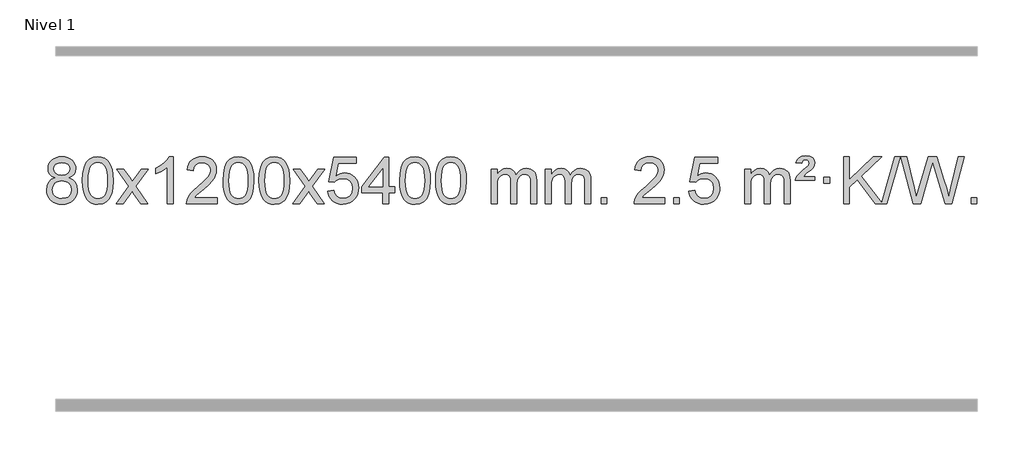
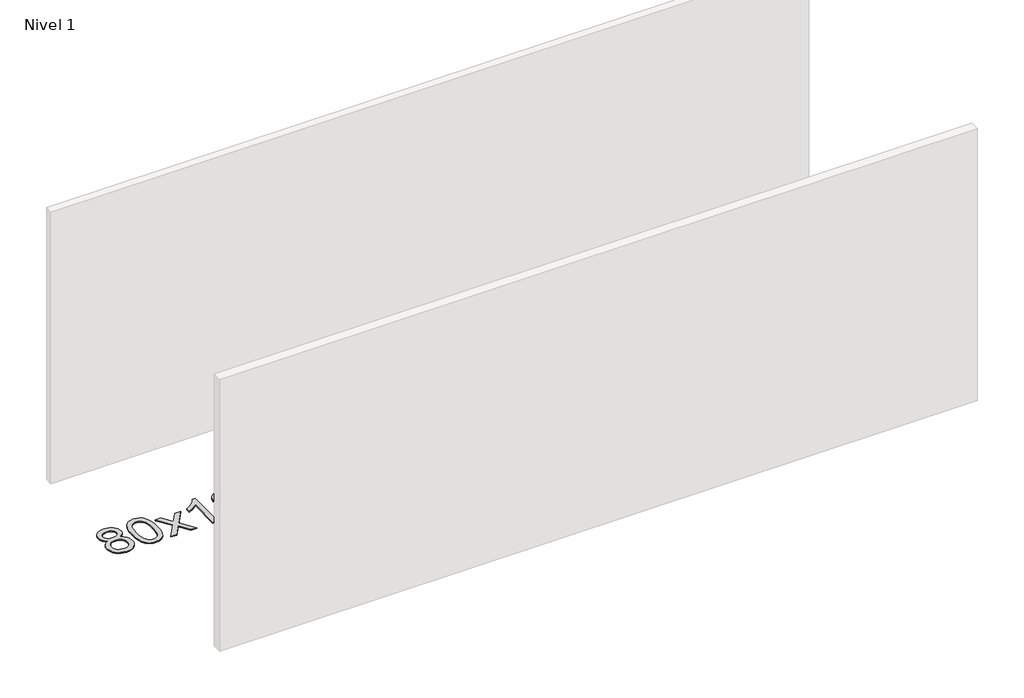
# One storey, part 15 of 18: 1 proxy.
"""IFC4 building model written with IfcOpenShell, lengths in millimetres."""

from ifc_helpers import new_model, si_unit, origin, origin_with_axes, place, context, project, spatial, polyline, outline, extrude, element, save

model = new_model("IFC4")

# Units and contexts
model_context = context("Model", 3, world=origin())
ifc_project = project(units=[si_unit("LENGTHUNIT", "METRE", prefix="MILLI")], contexts=[model_context])

# Site, building, storey
site = spatial("IfcSite", under=ifc_project)
building = spatial("IfcBuilding", under=site)
storey = spatial("IfcBuildingStorey", under=building, Name="Nivel 1", Elevation=0.0)

# Proxy
placement = place(None, origin())
element("IfcBuildingElementProxy", 1, Name="Texto de modelo 1", ObjectType="Texto de modelo 1", at=placement, inside=storey, context=model_context, shape_type="SweptSolid", body=[
    extrude(outline(polyline([(-236.8094438, -12224.2616447), (-263.7016177, -12211.0178929), (-282.573964, -12193.0652515), (-293.7207885, -12170.7716026), (-297.4363966, -12144.5048281), (-295.4130456, -12124.0199324), (-289.3429927, -12105.2395565), (-279.2262378, -12088.1637006), (-265.062781, -12072.7923645), (-247.533204, -12060.088173), (-227.3180883, -12051.0137504), (-204.4174341, -12045.5690969), (-178.8312414, -12043.7542124), (-153.1224213, -12045.6120165), (-130.0500888, -12051.1854287), (-109.614244, -12060.4744491), (-91.8148868, -12073.4790776), (-77.3939126, -12089.1508506), (-67.0932167, -12106.4413044), (-60.9127992, -12125.3504389), (-58.85266, -12145.8782543), (-62.5192172, -12171.2989001), (-73.5188889, -12193.2124043), (-91.9743023, -12211.0546811), (-118.0080848, -12224.2616447), (-87.0937345, -12240.1909351), (-64.5916191, -12263.6495436), (-50.8696207, -12293.5092989), (-46.2956212, -12328.6420295), (-48.5642269, -12353.6947933), (-55.3700438, -12376.6628926), (-66.713072, -12397.5463272), (-82.5933114, -12416.3450971), (-102.1768963, -12431.88198), (-124.6299607, -12442.9797536), (-149.9525047, -12449.6384177), (-178.1445283, -12451.8579724), (-206.3365519, -12449.6292206), (-231.6590959, -12442.9429654), (-254.1121603, -12431.7992066), (-273.6957452, -12416.1979443), (-289.5759846, -12397.26735), (-300.9190128, -12376.135595), (-307.7248297, -12352.8026795), (-309.9934354, -12327.2686033), (-305.2354949, -12290.7747094), (-290.9616735, -12260.7555386), (-267.9077351, -12238.2411605), (-236.8094438, -12224.2616447)]), holes=[polyline([(-247.2082415, -12145.9763561), (-242.7568694, -12167.902123), (-229.402753, -12185.413306), (-207.5382997, -12196.8912243), (-177.5559171, -12200.717197), (-148.2725103, -12196.9157497), (-126.7391508, -12185.5114079), (-113.495399, -12168.5888361), (-109.0808151, -12148.232699), (-113.6425518, -12127.1040098), (-127.327762, -12109.629615), (-149.1554271, -12097.8941794), (-178.1445283, -12093.9823675), (-207.3175705, -12097.8083402), (-229.1084474, -12109.2862585), (-242.683293, -12126.1107284), (-247.2082415, -12145.9763561)]), polyline([(-259.7652803, -12325.5027698), (-257.6683529, -12344.7184726), (-251.3775708, -12363.3210389), (-239.7647625, -12379.5446349), (-221.7017565, -12391.623427), (-200.0702952, -12399.1282197), (-177.7521208, -12401.6298173), (-143.5636208, -12396.3691048), (-129.6699441, -12389.7932141), (-117.909983, -12380.5869672), (-101.870328, -12356.6869002), (-96.5237763, -12327.0723996), (-102.0420062, -12296.9551269), (-118.596696, -12272.5277625), (-130.6754882, -12263.0854579), (-144.838945, -12256.3409547), (-179.4198526, -12250.9453521), (-213.130106, -12256.2673783), (-226.8674329, -12262.919911), (-238.5262264, -12272.2334569), (-254.4555168, -12296.1948375), (-259.7652803, -12325.5027698)])]), origin_with_axes(), (0.0, 0.0, 1.0), 10.0),
    extrude(outline(polyline([(-2.3459855, -12247.9041943), (1.3450971, -12183.5861588), (12.4183452, -12132.2911459), (30.763394, -12093.2343407), (42.621457, -12078.0009605), (56.269879, -12065.6309284), (71.7546453, -12056.0598651), (89.1217412, -12049.2233914), (129.5029215, -12043.7542124), (160.4540601, -12046.991574), (188.167837, -12056.7036586), (211.3444027, -12072.5103217), (228.6839074, -12094.0314184), (241.7805065, -12121.0830078), (252.2283551, -12153.4811488), (259.0709602, -12194.6226186), (261.3518286, -12247.9041943), (257.6975341, -12311.8543477), (246.7346507, -12363.0267333), (228.4999664, -12402.1203266), (216.6694946, -12417.3996922), (203.0302696, -12429.8341036), (187.5271092, -12439.4695462), (170.1048311, -12446.3520052), (129.5029215, -12451.8579724), (101.8381955, -12449.4667394), (77.3127291, -12442.2930405), (55.9265225, -12430.3368757), (37.6795755, -12413.5982449), (20.1683926, -12383.3399508), (7.6604047, -12345.6381776), (0.155612, -12300.4929255), (-2.3459855, -12247.9041943)]), holes=[polyline([(47.8821695, -12247.8060924), (49.3536975, -12291.4706195), (53.7682815, -12326.8148822), (61.1259214, -12353.8388804), (71.4266172, -12372.5426142), (83.8855541, -12385.2682656), (97.7179171, -12394.3580165), (112.9237063, -12399.8118671), (129.5029215, -12401.6298173), (146.0821368, -12399.8057357), (161.2879259, -12394.3334911), (175.1202889, -12385.2130833), (187.5792258, -12372.4445124), (197.8799217, -12353.7101217), (205.2375616, -12326.6922549), (209.6521455, -12291.3909118), (211.1236735, -12247.8060924), (209.7011965, -12205.2973278), (205.4337653, -12170.5753989), (198.3213801, -12143.6403055), (188.3640408, -12124.4920476), (176.1135703, -12111.1440625), (162.1217918, -12101.6097875), (146.3887051, -12095.8892225), (128.9143103, -12093.9823675), (112.4209342, -12095.6623619), (97.4726625, -12100.7023452), (84.0694951, -12109.1023175), (72.2114321, -12120.8622786), (61.5673797, -12141.708925), (53.9644852, -12169.8151094), (49.4027484, -12205.1808319), (47.8821695, -12247.8060924)])]), origin_with_axes(), (0.0, 0.0, 1.0), 10.0),
    extrude(outline(polyline([(286.4659061, -12445.579453), (393.7893469, -12297.2494325), (292.7444255, -12150.4890419), (353.1751746, -12150.4890419), (401.9318017, -12221.122385), (424.6914345, -12254.4770192), (444.4099094, -12227.2047007), (499.9355652, -12150.4890419), (560.3663143, -12150.4890419), (454.2200959, -12297.2494325), (556.4422397, -12445.579453), (496.0114906, -12445.579453), (434.501621, -12356.4048574), (423.2199065, -12340.1199477), (346.8966552, -12445.579453), (286.4659061, -12445.579453)])), origin_with_axes(), (0.0, 0.0, 1.0), 10.0),
    extrude(outline(polyline([(776.1904181, -12445.579453), (725.962263, -12445.579453), (725.962263, -12132.4382987), (704.9929893, -12149.3976587), (678.3828583, -12166.3324932), (625.5059529, -12191.6918254), (625.5059529, -12144.2105225), (664.9551655, -12122.7507395), (699.1314029, -12097.219729), (726.0726276, -12070.0700378), (743.8168025, -12043.7542124), (776.1904181, -12043.7542124), (776.1904181, -12445.579453)])), origin_with_axes(), (0.0, 0.0, 1.0), 10.0),
    extrude(outline(polyline([(1152.9015812, -12395.3512979), (1152.9015812, -12445.579453), (889.203767, -12445.579453), (890.307413, -12427.8965918), (894.5993696, -12410.9494945), (906.9847301, -12383.8856424), (925.1090498, -12357.6311307), (951.3267733, -12330.1503456), (987.9923455, -12299.4076736), (1042.1936261, -12251.2641831), (1074.7143945, -12215.7267824), (1090.9747787, -12186.884834), (1096.3949067, -12158.8277005), (1091.281347, -12133.6768347), (1075.9406678, -12112.7688747), (1052.3594319, -12098.6789943), (1022.5242021, -12093.9823675), (991.1929188, -12098.5686297), (966.8513935, -12112.3274163), (951.1428323, -12134.1796068), (945.7104415, -12163.0460807), (895.4822864, -12156.7675613), (899.8018342, -12130.838012), (907.6591805, -12108.1826125), (919.0543253, -12088.8013627), (933.9872686, -12072.6942627), (952.1146539, -12060.0329907), (973.0931247, -12050.989225), (996.9226809, -12045.5629655), (1023.6033226, -12043.7542124), (1050.5230876, -12045.7653006), (1074.4814025, -12051.7985654), (1095.4782674, -12061.8540066), (1113.5136822, -12075.9316242), (1127.9990358, -12092.9890861), (1138.3457169, -12111.9840598), (1144.5537256, -12132.9165453), (1146.6230618, -12155.7865427), (1144.3912444, -12179.8092369), (1137.695792, -12203.4149983), (1125.8132036, -12227.4254299), (1108.0199778, -12252.6621347), (1079.6562759, -12282.7916701), (1036.0622595, -12321.4805933), (978.2802608, -12369.795762), (955.6187299, -12395.3512979), (1152.9015812, -12395.3512979)])), origin_with_axes(), (0.0, 0.0, 1.0), 10.0),
    extrude(outline(polyline([(1203.1297362, -12247.9041943), (1206.8208189, -12183.5861588), (1217.894067, -12132.2911459), (1236.2391158, -12093.2343407), (1248.0971788, -12078.0009605), (1261.7456008, -12065.6309284), (1277.2303671, -12056.0598651), (1294.597463, -12049.2233914), (1334.9786433, -12043.7542124), (1365.9297818, -12046.991574), (1393.6435588, -12056.7036586), (1416.8201245, -12072.5103217), (1434.1596292, -12094.0314184), (1447.2562282, -12121.0830078), (1457.7040769, -12153.4811488), (1464.546682, -12194.6226186), (1466.8275504, -12247.9041943), (1463.1732559, -12311.8543477), (1452.2103725, -12363.0267333), (1433.9756882, -12402.1203266), (1422.1452164, -12417.3996922), (1408.5059914, -12429.8341036), (1393.002831, -12439.4695462), (1375.5805529, -12446.3520052), (1334.9786433, -12451.8579724), (1307.3139173, -12449.4667394), (1282.7884509, -12442.2930405), (1261.4022443, -12430.3368757), (1243.1552973, -12413.5982449), (1225.6441144, -12383.3399508), (1213.1361265, -12345.6381776), (1205.6313338, -12300.4929255), (1203.1297362, -12247.9041943)]), holes=[polyline([(1253.3578913, -12247.8060924), (1254.8294193, -12291.4706195), (1259.2440032, -12326.8148822), (1266.6016432, -12353.8388804), (1276.902339, -12372.5426142), (1289.3612759, -12385.2682656), (1303.1936389, -12394.3580165), (1318.3994281, -12399.8118671), (1334.9786433, -12401.6298173), (1351.5578586, -12399.8057357), (1366.7636477, -12394.3334911), (1380.5960107, -12385.2130833), (1393.0549476, -12372.4445124), (1403.3556435, -12353.7101217), (1410.7132834, -12326.6922549), (1415.1278673, -12291.3909118), (1416.5993953, -12247.8060924), (1415.1769183, -12205.2973278), (1410.9094871, -12170.5753989), (1403.7971019, -12143.6403055), (1393.8397625, -12124.4920476), (1381.5892921, -12111.1440625), (1367.5975136, -12101.6097875), (1351.8644269, -12095.8892225), (1334.3900321, -12093.9823675), (1317.896656, -12095.6623619), (1302.9483843, -12100.7023452), (1289.5452169, -12109.1023175), (1277.6871539, -12120.8622786), (1267.0431015, -12141.708925), (1259.440207, -12169.8151094), (1254.8784702, -12205.1808319), (1253.3578913, -12247.8060924)])]), origin_with_axes(), (0.0, 0.0, 1.0), 10.0),
    extrude(outline(polyline([(1510.7771861, -12247.9041943), (1514.4682688, -12183.5861588), (1525.5415168, -12132.2911459), (1543.8865656, -12093.2343407), (1555.7446286, -12078.0009605), (1569.3930506, -12065.6309284), (1584.877817, -12056.0598651), (1602.2449128, -12049.2233914), (1642.6260932, -12043.7542124), (1673.5772317, -12046.991574), (1701.2910087, -12056.7036586), (1724.4675743, -12072.5103217), (1741.8070791, -12094.0314184), (1754.9036781, -12121.0830078), (1765.3515267, -12153.4811488), (1772.1941319, -12194.6226186), (1774.4750002, -12247.9041943), (1770.8207057, -12311.8543477), (1759.8578223, -12363.0267333), (1741.6231381, -12402.1203266), (1729.7926662, -12417.3996922), (1716.1534413, -12429.8341036), (1700.6502808, -12439.4695462), (1683.2280027, -12446.3520052), (1642.6260932, -12451.8579724), (1614.9613671, -12449.4667394), (1590.4359008, -12442.2930405), (1569.0496941, -12430.3368757), (1550.8027472, -12413.5982449), (1533.2915642, -12383.3399508), (1520.7835764, -12345.6381776), (1513.2787836, -12300.4929255), (1510.7771861, -12247.9041943)]), holes=[polyline([(1561.0053412, -12247.8060924), (1562.4768691, -12291.4706195), (1566.8914531, -12326.8148822), (1574.249093, -12353.8388804), (1584.5497888, -12372.5426142), (1597.0087258, -12385.2682656), (1610.8410888, -12394.3580165), (1626.0468779, -12399.8118671), (1642.6260932, -12401.6298173), (1659.2053084, -12399.8057357), (1674.4110975, -12394.3334911), (1688.2434606, -12385.2130833), (1700.7023975, -12372.4445124), (1711.0030933, -12353.7101217), (1718.3607332, -12326.6922549), (1722.7753172, -12291.3909118), (1724.2468452, -12247.8060924), (1722.8243681, -12205.2973278), (1718.556937, -12170.5753989), (1711.4445517, -12143.6403055), (1701.4872124, -12124.4920476), (1689.2367419, -12111.1440625), (1675.2449634, -12101.6097875), (1659.5118767, -12095.8892225), (1642.037482, -12093.9823675), (1625.5441058, -12095.6623619), (1610.5958341, -12100.7023452), (1597.1926667, -12109.1023175), (1585.3346038, -12120.8622786), (1574.6905514, -12141.708925), (1567.0876568, -12169.8151094), (1562.5259201, -12205.1808319), (1561.0053412, -12247.8060924)])]), origin_with_axes(), (0.0, 0.0, 1.0), 10.0),
    extrude(outline(polyline([(1799.5890778, -12445.579453), (1906.9125185, -12297.2494325), (1805.8675971, -12150.4890419), (1866.2983462, -12150.4890419), (1915.0549733, -12221.122385), (1937.8146061, -12254.4770192), (1957.533081, -12227.2047007), (2013.0587368, -12150.4890419), (2073.4894859, -12150.4890419), (1967.3432676, -12297.2494325), (2069.5654113, -12445.579453), (2009.1346622, -12445.579453), (1947.6247926, -12356.4048574), (1936.3430781, -12340.1199477), (1860.0198268, -12445.579453), (1799.5890778, -12445.579453)])), origin_with_axes(), (0.0, 0.0, 1.0), 10.0),
    extrude(outline(polyline([(2100.9580082, -12338.8446235), (2151.1861633, -12332.5661041), (2160.4077386, -12362.7201649), (2176.4964446, -12384.3148381), (2199.3787047, -12397.3010725), (2228.9809425, -12401.6298173), (2248.1108063, -12400.1245668), (2264.9843271, -12395.6088153), (2279.6015051, -12388.0825628), (2291.9623401, -12377.5458094), (2301.7909207, -12364.519721), (2308.8113355, -12349.5254641), (2314.4276673, -12313.6324441), (2309.1669547, -12279.8363514), (2302.5910641, -12265.9181493), (2293.3848172, -12253.9865099), (2281.5175571, -12244.4154467), (2266.9586272, -12237.5789729), (2229.7657575, -12232.1097939), (2205.3997066, -12234.2925604), (2185.668969, -12240.8408599), (2169.9113568, -12250.8717757), (2157.4646827, -12263.5023908), (2107.2365276, -12257.2238715), (2151.1861633, -12050.0327318), (2345.8202642, -12050.0327318), (2345.8202642, -12100.2608869), (2191.8003356, -12100.2608869), (2170.316027, -12210.919791), (2188.0418078, -12198.2155994), (2206.1967843, -12189.1411769), (2224.7809564, -12183.6965234), (2243.7943242, -12181.8816388), (2268.2554112, -12184.1318504), (2290.7238041, -12190.882485), (2311.1995028, -12202.1335427), (2329.6825073, -12217.8850234), (2344.9833327, -12237.1743027), (2355.9124936, -12259.038756), (2362.4699902, -12283.4783832), (2364.6558224, -12310.4931844), (2362.6876537, -12336.5147042), (2356.7831477, -12360.7213394), (2346.9423043, -12383.1130902), (2333.1651236, -12403.6899565), (2312.2939517, -12424.7634634), (2287.9401636, -12439.8159684), (2260.1037593, -12448.8474714), (2228.7847388, -12451.8579724), (2202.8643866, -12449.9235262), (2179.4517632, -12444.1201877), (2158.5468689, -12434.447957), (2140.1497034, -12420.9068338), (2124.8427467, -12404.1712688), (2113.2084787, -12384.915712), (2105.2468991, -12363.1401636), (2100.9580082, -12338.8446235)])), origin_with_axes(), (0.0, 0.0, 1.0), 10.0),
    extrude(outline(polyline([(2571.846962, -12445.579453), (2571.846962, -12351.4016622), (2389.7698999, -12351.4016622), (2389.7698999, -12301.1735072), (2584.4040008, -12050.0327318), (2622.0751171, -12050.0327318), (2622.0751171, -12301.1735072), (2672.3032722, -12301.1735072), (2672.3032722, -12351.4016622), (2622.0751171, -12351.4016622), (2622.0751171, -12445.579453), (2571.846962, -12445.579453)]), holes=[polyline([(2571.846962, -12301.1735072), (2571.846962, -12145.9763561), (2451.5740751, -12301.1735072), (2571.846962, -12301.1735072)])]), origin_with_axes(), (0.0, 0.0, 1.0), 10.0),
    extrude(outline(polyline([(2716.2529079, -12247.9041943), (2719.9439906, -12183.5861588), (2731.0172386, -12132.2911459), (2749.3622874, -12093.2343407), (2761.2203504, -12078.0009605), (2774.8687724, -12065.6309284), (2790.3535388, -12056.0598651), (2807.7206346, -12049.2233914), (2848.1018149, -12043.7542124), (2879.0529535, -12046.991574), (2906.7667304, -12056.7036586), (2929.9432961, -12072.5103217), (2947.2828008, -12094.0314184), (2960.3793999, -12121.0830078), (2970.8272485, -12153.4811488), (2977.6698537, -12194.6226186), (2979.950722, -12247.9041943), (2976.2964275, -12311.8543477), (2965.3335441, -12363.0267333), (2947.0988599, -12402.1203266), (2935.268388, -12417.3996922), (2921.6291631, -12429.8341036), (2906.1260026, -12439.4695462), (2888.7037245, -12446.3520052), (2848.1018149, -12451.8579724), (2820.4370889, -12449.4667394), (2795.9116226, -12442.2930405), (2774.5254159, -12430.3368757), (2756.278469, -12413.5982449), (2738.767286, -12383.3399508), (2726.2592981, -12345.6381776), (2718.7545054, -12300.4929255), (2716.2529079, -12247.9041943)]), holes=[polyline([(2766.481063, -12247.8060924), (2767.9525909, -12291.4706195), (2772.3671749, -12326.8148822), (2779.7248148, -12353.8388804), (2790.0255106, -12372.5426142), (2802.4844475, -12385.2682656), (2816.3168106, -12394.3580165), (2831.5225997, -12399.8118671), (2848.1018149, -12401.6298173), (2864.6810302, -12399.8057357), (2879.8868193, -12394.3334911), (2893.7191824, -12385.2130833), (2906.1781193, -12372.4445124), (2916.4788151, -12353.7101217), (2923.836455, -12326.6922549), (2928.251039, -12291.3909118), (2929.7225669, -12247.8060924), (2928.3000899, -12205.2973278), (2924.0326588, -12170.5753989), (2916.9202735, -12143.6403055), (2906.9629342, -12124.4920476), (2894.7124637, -12111.1440625), (2880.7206852, -12101.6097875), (2864.9875985, -12095.8892225), (2847.5132038, -12093.9823675), (2831.0198276, -12095.6623619), (2816.0715559, -12100.7023452), (2802.6683885, -12109.1023175), (2790.8103256, -12120.8622786), (2780.1662732, -12141.708925), (2772.5633786, -12169.8151094), (2768.0016419, -12205.1808319), (2766.481063, -12247.8060924)])]), origin_with_axes(), (0.0, 0.0, 1.0), 10.0),
    extrude(outline(polyline([(3023.9003577, -12247.9041943), (3027.5914404, -12183.5861588), (3038.6646885, -12132.2911459), (3057.0097373, -12093.2343407), (3068.8678003, -12078.0009605), (3082.5162223, -12065.6309284), (3098.0009886, -12056.0598651), (3115.3680844, -12049.2233914), (3155.7492648, -12043.7542124), (3186.7004033, -12046.991574), (3214.4141803, -12056.7036586), (3237.590746, -12072.5103217), (3254.9302507, -12094.0314184), (3268.0268497, -12121.0830078), (3278.4746984, -12153.4811488), (3285.3173035, -12194.6226186), (3287.5981719, -12247.9041943), (3283.9438774, -12311.8543477), (3272.9809939, -12363.0267333), (3254.7463097, -12402.1203266), (3242.9158379, -12417.3996922), (3229.2766129, -12429.8341036), (3213.7734525, -12439.4695462), (3196.3511743, -12446.3520052), (3155.7492648, -12451.8579724), (3128.0845387, -12449.4667394), (3103.5590724, -12442.2930405), (3082.1728657, -12430.3368757), (3063.9259188, -12413.5982449), (3046.4147358, -12383.3399508), (3033.906748, -12345.6381776), (3026.4019553, -12300.4929255), (3023.9003577, -12247.9041943)]), holes=[polyline([(3074.1285128, -12247.8060924), (3075.6000408, -12291.4706195), (3080.0146247, -12326.8148822), (3087.3722646, -12353.8388804), (3097.6729605, -12372.5426142), (3110.1318974, -12385.2682656), (3123.9642604, -12394.3580165), (3139.1700495, -12399.8118671), (3155.7492648, -12401.6298173), (3172.32848, -12399.8057357), (3187.5342692, -12394.3334911), (3201.3666322, -12385.2130833), (3213.8255691, -12372.4445124), (3224.126265, -12353.7101217), (3231.4839049, -12326.6922549), (3235.8984888, -12291.3909118), (3237.3700168, -12247.8060924), (3235.9475397, -12205.2973278), (3231.6801086, -12170.5753989), (3224.5677233, -12143.6403055), (3214.610384, -12124.4920476), (3202.3599136, -12111.1440625), (3188.368135, -12101.6097875), (3172.6350484, -12095.8892225), (3155.1606536, -12093.9823675), (3138.6672775, -12095.6623619), (3123.7190057, -12100.7023452), (3110.3158384, -12109.1023175), (3098.4577754, -12120.8622786), (3087.813723, -12141.708925), (3080.2108284, -12169.8151094), (3075.6490917, -12205.1808319), (3074.1285128, -12247.8060924)])]), origin_with_axes(), (0.0, 0.0, 1.0), 10.0),
    extrude(outline(polyline([(3501.0678309, -12445.579453), (3501.0678309, -12150.4890419), (3551.295986, -12150.4890419), (3551.295986, -12199.0494653), (3566.4036733, -12176.7435537), (3585.8278426, -12159.2691589), (3608.9063064, -12147.9751816), (3634.9768772, -12144.2105225), (3662.9113833, -12148.048758), (3685.3031341, -12159.5634645), (3702.0295022, -12177.9943524), (3712.9678601, -12202.5811324), (3731.2761208, -12177.0439906), (3752.1595554, -12158.803175), (3775.6181639, -12147.8586857), (3801.6519464, -12144.2105225), (3821.7597632, -12145.7280358), (3839.4089019, -12150.2805755), (3854.5993626, -12157.8681416), (3867.3311453, -12168.4907342), (3877.3957836, -12182.2709806), (3884.5848109, -12199.3315082), (3888.8982273, -12219.6723168), (3890.3360328, -12243.2934066), (3890.3360328, -12445.579453), (3840.1078777, -12445.579453), (3840.1078777, -12264.875817), (3838.942918, -12239.8230531), (3835.4480391, -12222.9372695), (3828.8997396, -12211.3735121), (3818.5745182, -12202.2868268), (3805.2939782, -12196.4007149), (3789.8797226, -12194.4386776), (3762.6687177, -12199.4663982), (3740.4854334, -12214.54956), (3731.8800604, -12226.1194488), (3725.7333654, -12240.7182326), (3720.8160094, -12279.0024856), (3720.8160094, -12445.579453), (3670.5878543, -12445.579453), (3670.5878543, -12259.2840106), (3667.6815865, -12230.8835206), (3658.9627833, -12210.6254854), (3643.6221041, -12198.4853796), (3620.8502086, -12194.4386776), (3601.4996156, -12197.1364789), (3583.6696016, -12205.2298828), (3568.9543218, -12218.5226856), (3558.9479315, -12236.8186835), (3553.2089724, -12262.2025411), (3551.295986, -12296.7589232), (3551.295986, -12445.579453), (3501.0678309, -12445.579453)])), origin_with_axes(), (0.0, 0.0, 1.0), 10.0),
    extrude(outline(polyline([(3965.6782654, -12445.579453), (3965.6782654, -12150.4890419), (4015.9064204, -12150.4890419), (4015.9064204, -12199.0494653), (4031.0141077, -12176.7435537), (4050.4382771, -12159.2691589), (4073.5167409, -12147.9751816), (4099.5873116, -12144.2105225), (4127.5218178, -12148.048758), (4149.9135685, -12159.5634645), (4166.6399366, -12177.9943524), (4177.5782946, -12202.5811324), (4195.8865552, -12177.0439906), (4216.7699898, -12158.803175), (4240.2285984, -12147.8586857), (4266.2623809, -12144.2105225), (4286.3701976, -12145.7280358), (4304.0193363, -12150.2805755), (4319.209797, -12157.8681416), (4331.9415798, -12168.4907342), (4342.006218, -12182.2709806), (4349.1952453, -12199.3315082), (4353.5086617, -12219.6723168), (4354.9464672, -12243.2934066), (4354.9464672, -12445.579453), (4304.7183121, -12445.579453), (4304.7183121, -12264.875817), (4303.5533525, -12239.8230531), (4300.0584735, -12222.9372695), (4293.510174, -12211.3735121), (4283.1849527, -12202.2868268), (4269.9044126, -12196.4007149), (4254.490157, -12194.4386776), (4227.2791521, -12199.4663982), (4205.0958678, -12214.54956), (4196.4904948, -12226.1194488), (4190.3437998, -12240.7182326), (4185.4264438, -12279.0024856), (4185.4264438, -12445.579453), (4135.1982887, -12445.579453), (4135.1982887, -12259.2840106), (4132.292021, -12230.8835206), (4123.5732177, -12210.6254854), (4108.2325385, -12198.4853796), (4085.460643, -12194.4386776), (4066.11005, -12197.1364789), (4048.280036, -12205.2298828), (4033.5647562, -12218.5226856), (4023.5583659, -12236.8186835), (4017.8194068, -12262.2025411), (4015.9064204, -12296.7589232), (4015.9064204, -12445.579453), (3965.6782654, -12445.579453)])), origin_with_axes(), (0.0, 0.0, 1.0), 10.0),
    extrude(outline(polyline([(4442.8457386, -12445.579453), (4442.8457386, -12395.3512979), (4493.0738936, -12395.3512979), (4493.0738936, -12445.579453), (4442.8457386, -12445.579453)])), origin_with_axes(), (0.0, 0.0, 1.0), 10.0),
    extrude(outline(polyline([(4989.076925, -12395.3512979), (4989.076925, -12445.579453), (4725.3791109, -12445.579453), (4726.4827569, -12427.8965918), (4730.7747135, -12410.9494945), (4743.160074, -12383.8856424), (4761.2843936, -12357.6311307), (4787.5021171, -12330.1503456), (4824.1676893, -12299.4076736), (4878.3689699, -12251.2641831), (4910.8897383, -12215.7267824), (4927.1501225, -12186.884834), (4932.5702506, -12158.8277005), (4927.4566908, -12133.6768347), (4912.1160116, -12112.7688747), (4888.5347757, -12098.6789943), (4858.6995459, -12093.9823675), (4827.3682627, -12098.5686297), (4803.0267373, -12112.3274163), (4787.3181761, -12134.1796068), (4781.8857853, -12163.0460807), (4731.6576303, -12156.7675613), (4735.977178, -12130.838012), (4743.8345243, -12108.1826125), (4755.2296691, -12088.8013627), (4770.1626124, -12072.6942627), (4788.2899977, -12060.0329907), (4809.2684685, -12050.989225), (4833.0980247, -12045.5629655), (4859.7786664, -12043.7542124), (4886.6984314, -12045.7653006), (4910.6567464, -12051.7985654), (4931.6536112, -12061.8540066), (4949.6890261, -12075.9316242), (4964.1743796, -12092.9890861), (4974.5210607, -12111.9840598), (4980.7290694, -12132.9165453), (4982.7984056, -12155.7865427), (4980.5665882, -12179.8092369), (4973.8711359, -12203.4149983), (4961.9885474, -12227.4254299), (4944.1953216, -12252.6621347), (4915.8316198, -12282.7916701), (4872.2376033, -12321.4805933), (4814.4556046, -12369.795762), (4791.7940737, -12395.3512979), (4989.076925, -12395.3512979)])), origin_with_axes(), (0.0, 0.0, 1.0), 10.0),
    extrude(outline(polyline([(5064.4191576, -12445.579453), (5064.4191576, -12395.3512979), (5114.6473127, -12395.3512979), (5114.6473127, -12445.579453), (5064.4191576, -12445.579453)])), origin_with_axes(), (0.0, 0.0, 1.0), 10.0),
    extrude(outline(polyline([(5196.2680647, -12338.8446235), (5246.4962198, -12332.5661041), (5255.7177951, -12362.7201649), (5271.806501, -12384.3148381), (5294.6887611, -12397.3010725), (5324.290999, -12401.6298173), (5343.4208628, -12400.1245668), (5360.2943836, -12395.6088153), (5374.9115616, -12388.0825628), (5387.2723966, -12377.5458094), (5397.1009772, -12364.519721), (5404.121392, -12349.5254641), (5409.7377238, -12313.6324441), (5404.4770112, -12279.8363514), (5397.9011206, -12265.9181493), (5388.6948736, -12253.9865099), (5376.8276136, -12244.4154467), (5362.2686837, -12237.5789729), (5325.0758139, -12232.1097939), (5300.7097631, -12234.2925604), (5280.9790255, -12240.8408599), (5265.2214133, -12250.8717757), (5252.7747392, -12263.5023908), (5202.5465841, -12257.2238715), (5246.4962198, -12050.0327318), (5441.1303207, -12050.0327318), (5441.1303207, -12100.2608869), (5287.110392, -12100.2608869), (5265.6260835, -12210.919791), (5283.3518643, -12198.2155994), (5301.5068408, -12189.1411769), (5320.0910129, -12183.6965234), (5339.1043807, -12181.8816388), (5363.5654677, -12184.1318504), (5386.0338605, -12190.882485), (5406.5095593, -12202.1335427), (5424.9925638, -12217.8850234), (5440.2933891, -12237.1743027), (5451.2225501, -12259.038756), (5457.7800467, -12283.4783832), (5459.9658788, -12310.4931844), (5457.9977102, -12336.5147042), (5452.0932041, -12360.7213394), (5442.2523608, -12383.1130902), (5428.4751801, -12403.6899565), (5407.6040082, -12424.7634634), (5383.2502201, -12439.8159684), (5355.4138158, -12448.8474714), (5324.0947953, -12451.8579724), (5298.174443, -12449.9235262), (5274.7618197, -12444.1201877), (5253.8569254, -12434.447957), (5235.4597599, -12420.9068338), (5220.1528032, -12404.1712688), (5208.5185351, -12384.915712), (5200.5569556, -12363.1401636), (5196.2680647, -12338.8446235)])), origin_with_axes(), (0.0, 0.0, 1.0), 10.0),
    extrude(outline(polyline([(5673.4355379, -12445.579453), (5673.4355379, -12150.4890419), (5723.663693, -12150.4890419), (5723.663693, -12199.0494653), (5738.7713803, -12176.7435537), (5758.1955496, -12159.2691589), (5781.2740134, -12147.9751816), (5807.3445842, -12144.2105225), (5835.2790903, -12148.048758), (5857.6708411, -12159.5634645), (5874.3972091, -12177.9943524), (5885.3355671, -12202.5811324), (5903.6438278, -12177.0439906), (5924.5272623, -12158.803175), (5947.9858709, -12147.8586857), (5974.0196534, -12144.2105225), (5994.1274702, -12145.7280358), (6011.7766089, -12150.2805755), (6026.9670696, -12157.8681416), (6039.6988523, -12168.4907342), (6049.7634906, -12182.2709806), (6056.9525179, -12199.3315082), (6061.2659343, -12219.6723168), (6062.7037397, -12243.2934066), (6062.7037397, -12445.579453), (6012.4755847, -12445.579453), (6012.4755847, -12264.875817), (6011.310625, -12239.8230531), (6007.8157461, -12222.9372695), (6001.2674465, -12211.3735121), (5990.9422252, -12202.2868268), (5977.6616852, -12196.4007149), (5962.2474296, -12194.4386776), (5935.0364247, -12199.4663982), (5912.8531404, -12214.54956), (5904.2477674, -12226.1194488), (5898.1010724, -12240.7182326), (5893.1837164, -12279.0024856), (5893.1837164, -12445.579453), (5842.9555613, -12445.579453), (5842.9555613, -12259.2840106), (5840.0492935, -12230.8835206), (5831.3304902, -12210.6254854), (5815.989811, -12198.4853796), (5793.2179155, -12194.4386776), (5773.8673226, -12197.1364789), (5756.0373086, -12205.2298828), (5741.3220287, -12218.5226856), (5731.3156385, -12236.8186835), (5725.5766794, -12262.2025411), (5723.663693, -12296.7589232), (5723.663693, -12445.579453), (5673.4355379, -12445.579453)])), origin_with_axes(), (0.0, 0.0, 1.0), 10.0),
    extrude(outline(polyline([(6106.6533754, -12244.6668327), (6110.4793482, -12228.8479069), (6118.8180067, -12212.9799302), (6140.3268407, -12187.8413272), (6172.2835234, -12160.1030247), (6216.4293628, -12122.726214), (6223.5662735, -12111.1992448), (6225.9452437, -12099.3779701), (6224.0567828, -12087.2869152), (6218.3914001, -12077.5012541), (6209.022672, -12071.026531), (6196.0241748, -12068.8682899), (6183.5897634, -12070.4869707), (6174.73607, -12075.343013), (6168.3103978, -12084.8098431), (6163.1600499, -12100.2608869), (6112.9318948, -12093.9823675), (6123.7721509, -12068.7701881), (6140.4004171, -12051.2099542), (6164.165594, -12040.9092583), (6196.4165822, -12037.475693), (6232.1992376, -12041.6082341), (6256.9454332, -12054.0058573), (6271.3664074, -12072.3386434), (6276.1733988, -12094.2766731), (6272.0776459, -12117.1834586), (6259.7903873, -12138.8149199), (6239.262572, -12158.6314968), (6202.7932035, -12186.6886303), (6177.1886166, -12213.2742358), (6276.1733988, -12213.2742358), (6276.1733988, -12244.6668327), (6106.6533754, -12244.6668327)])), origin_with_axes(), (0.0, 0.0, 1.0), 10.0),
    extrude(outline(polyline([(6351.5156314, -12269.7809102), (6351.5156314, -12219.5527552), (6401.7437865, -12219.5527552), (6401.7437865, -12269.7809102), (6351.5156314, -12269.7809102)])), origin_with_axes(), (0.0, 0.0, 1.0), 10.0),
    extrude(outline(polyline([(6792.3854144, -12445.579453), (6638.954097, -12242.9009991), (6571.2638099, -12307.4520265), (6571.2638099, -12445.579453), (6521.0356548, -12445.579453), (6521.0356548, -12043.7542124), (6571.2638099, -12043.7542124), (6571.2638099, -12240.4484525), (6777.2777272, -12043.7542124), (6847.5186628, -12043.7542124), (6674.5650741, -12208.9577537), (6849.218684, -12439.5349332), (6960.5320117, -12043.7542124), (7005.8550735, -12043.7542124), (6892.8417246, -12445.579453), (6853.7971822, -12445.579453), (6847.5186628, -12445.579453), (6792.3854144, -12445.579453)])), origin_with_axes(), (0.0, 0.0, 1.0), 10.0),
    extrude(outline(polyline([(7120.3399504, -12445.579453), (7010.7601668, -12043.7542124), (7062.5579517, -12043.7542124), (7126.1279605, -12307.844434), (7145.7483335, -12389.3670841), (7166.7421327, -12317.2622131), (7246.4008474, -12043.7542124), (7321.056367, -12043.7542124), (7378.9364675, -12242.0180823), (7403.731714, -12315.5944814), (7422.0031864, -12389.3670841), (7441.0349483, -12310.1988788), (7505.1935683, -12043.7542124), (7556.9913532, -12043.7542124), (7447.3134677, -12445.579453), (7393.6517474, -12445.579453), (7297.3157155, -12135.5775584), (7283.87576, -12092.3146358), (7268.7680727, -12144.4067263), (7180.9669032, -12445.579453), (7120.3399504, -12445.579453)])), origin_with_axes(), (0.0, 0.0, 1.0), 10.0),
    extrude(outline(polyline([(7613.4980277, -12445.579453), (7613.4980277, -12395.3512979), (7663.7261827, -12395.3512979), (7663.7261827, -12445.579453), (7613.4980277, -12445.579453)])), origin_with_axes(), (0.0, 0.0, 1.0), 10.0),
])

save(model, "model.ifc")
